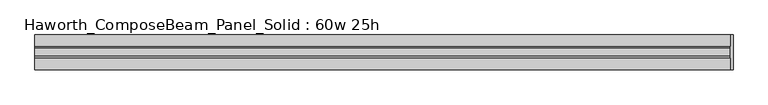
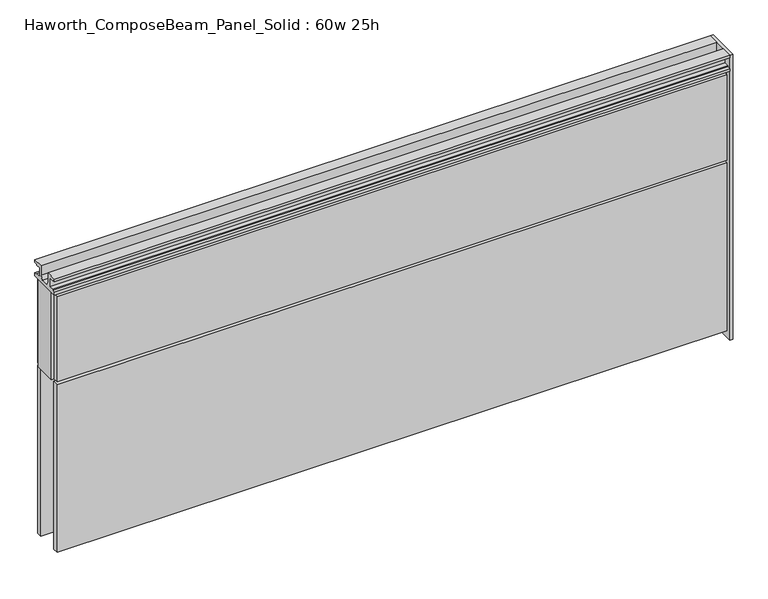
"""IFC4 building model written with IfcOpenShell, lengths in millimetres: furniture geometry, Haworth_ComposeBeam_Panel_Solid : 60w 25h."""

from ifc_helpers import new_model, si_unit, frame, origin, origin_with_axes, place, context, project, spatial, polyline, outline, extrude, source, transform, mapped, element, save


def haworth_composebeam_panel_solid_60w_25h_256dc2f6(model_context):
    return source(origin(), model_context, "Body", "SweptSolid", [
        extrude(outline(polyline([(38.1, 673.1), (30.6197, 673.1), (30.6197, 670.8139719), (19.6976996, 670.8139719), (19.6976996, 649.9860281), (30.6197, 649.9860281), (30.6197, 647.7), (38.0999989, 647.7), (38.0999989, 641.35), (-38.1000011, 641.35), (-38.1000011, 647.7), (-30.6197023, 647.7), (-30.6197023, 649.9860281), (-19.6977019, 649.9860281), (-19.6977019, 670.8139719), (-30.6197023, 670.8139719), (-30.6197023, 673.1), (-38.1000023, 673.1), (-38.1000023, 679.45), (-13.5001026, 679.45), (-13.5001026, 657.6828071), (-8.7648498, 647.7), (8.7648475, 647.7), (13.5001003, 657.6828071), (13.5001003, 679.45), (38.1, 679.45), (38.1, 673.1)])), frame((-759.5597098, 0.0, 0.0), z_axis=(1.0, 0.0, 0.0), x_axis=(0.0, 1.0, 0.0)), (0.0, 0.0, 1.0), 1524.0),
        extrude(outline(polyline([(770.7902902, -38.1), (764.4402902, -38.1), (764.4402902, 38.1), (770.7902902, 38.1), (770.7902902, -38.1)])), origin_with_axes(), (0.0, 0.0, 1.0), 679.45),
        extrude(outline(polyline([(764.4402902, 25.4), (764.4402902, -25.4), (-759.5597098, -25.4), (-759.5597098, 25.4), (764.4402902, 25.4)])), frame((0.0, 0.0, 431.8), z_axis=(0.0, 0.0, 1.0), x_axis=(1.0, 0.0, 0.0)), (0.0, 0.0, 1.0), 209.55),
        extrude(outline(polyline([(-753.2097098, 25.4), (-753.2097098, 38.1), (758.0902902, 38.1), (758.0902902, 25.4), (-753.2097098, 25.4)])), frame((0.0, 0.0, 431.8), z_axis=(0.0, 0.0, 1.0), x_axis=(1.0, 0.0, 0.0)), (0.0, 0.0, 1.0), 203.2),
        extrude(outline(polyline([(-753.2097098, 25.4), (-753.2097098, 38.1), (758.0902902, 38.1), (758.0902902, 25.4), (-753.2097098, 25.4)])), frame((0.0, 0.0, 25.4), z_axis=(0.0, 0.0, 1.0), x_axis=(1.0, 0.0, 0.0)), (0.0, 0.0, 1.0), 400.05),
        extrude(outline(polyline([(-753.2097098, -38.1), (-753.2097098, -25.4), (758.0902902, -25.4), (758.0902902, -38.1), (-753.2097098, -38.1)])), frame((0.0, 0.0, 431.8), z_axis=(0.0, 0.0, 1.0), x_axis=(1.0, 0.0, 0.0)), (0.0, 0.0, 1.0), 203.2),
        extrude(outline(polyline([(-753.2097098, -38.1), (-753.2097098, -25.4), (758.0902902, -25.4), (758.0902902, -38.1), (-753.2097098, -38.1)])), frame((0.0, 0.0, 25.4), z_axis=(0.0, 0.0, 1.0), x_axis=(1.0, 0.0, 0.0)), (0.0, 0.0, 1.0), 400.05),
    ])


if __name__ == "__main__":
    model = new_model("IFC4")
    model_context = context("Model", 3, world=origin())
    ifc_project = project(units=[si_unit("LENGTHUNIT", "METRE", prefix="MILLI")], contexts=[model_context])
    site = spatial("IfcSite", under=ifc_project)
    building = spatial("IfcBuilding", under=site)
    placement = place(None, origin())
    haworth_composebeam_panel_solid_60w_25h_shape = haworth_composebeam_panel_solid_60w_25h_256dc2f6(model_context)
    element("IfcFurniture", 1, ObjectType="Haworth_ComposeBeam_Panel_Solid : 60w 25h", at=placement, inside=building, context=model_context, shape_type="MappedRepresentation", body=[
        mapped(haworth_composebeam_panel_solid_60w_25h_shape, transform((0.0, 0.0, 0.0), x_axis=(1.0, 0.0, 0.0), y_axis=(0.0, 1.0, 0.0), z_axis=(0.0, 0.0, 1.0))),
    ])
    save(model, "model.ifc")
